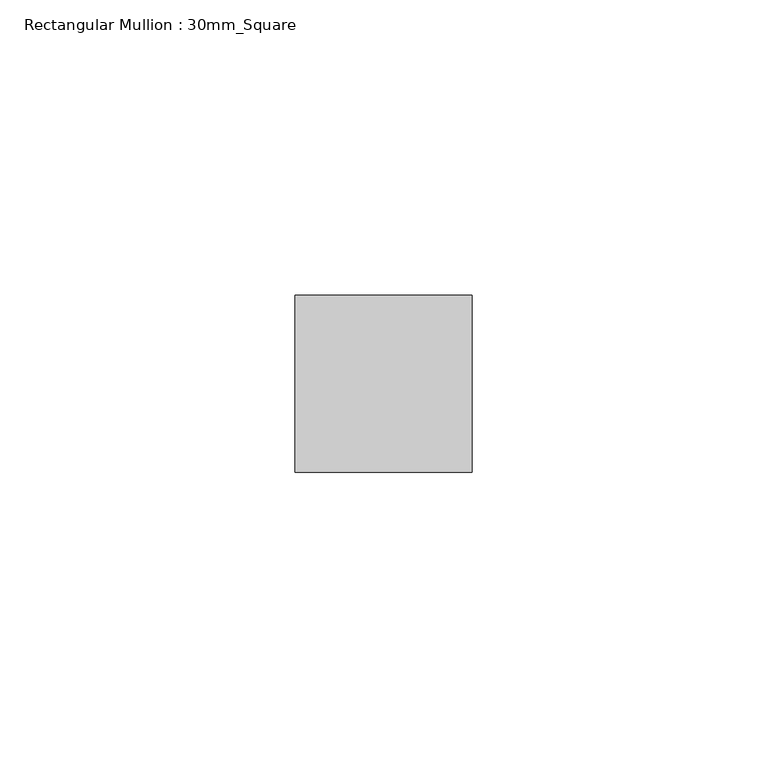
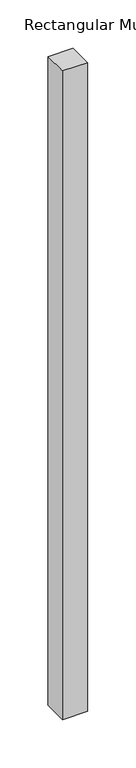
"""IFC4 building model written with IfcOpenShell, lengths in millimetres: member geometry, Rectangular Mullion : 30mm_Square."""

from ifc_helpers import new_model, si_unit, frame, origin, place, context, project, spatial, polyline, outline, extrude, source, transform, mapped, element, save


def rectangular_mullion_30mm_square_28f29ad5(model_context):
    return source(origin(), model_context, "Body", "SweptSolid", [
        extrude(outline(polyline([(0.0, 15.0), (0.0, -15.0), (-30.0, -15.0), (-30.0, 15.0), (0.0, 15.0)])), frame((0.0, 0.0, -820.0), z_axis=(0.0, 0.0, 1.0), x_axis=(1.0, 0.0, 0.0)), (0.0, 0.0, 1.0), 820.0),
    ])


if __name__ == "__main__":
    model = new_model("IFC4")
    model_context = context("Model", 3, world=origin())
    ifc_project = project(units=[si_unit("LENGTHUNIT", "METRE", prefix="MILLI")], contexts=[model_context])
    site = spatial("IfcSite", under=ifc_project)
    building = spatial("IfcBuilding", under=site)
    placement = place(None, origin())
    rectangular_mullion_30mm_square_shape = rectangular_mullion_30mm_square_28f29ad5(model_context)
    element("IfcMember", 1, ObjectType="Rectangular Mullion : 30mm_Square", at=placement, inside=building, context=model_context, shape_type="MappedRepresentation", body=[
        mapped(rectangular_mullion_30mm_square_shape, transform((0.0, 0.0, 0.0), x_axis=(1.0, 0.0, 0.0), y_axis=(0.0, 1.0, 0.0), z_axis=(0.0, 0.0, 1.0))),
    ])
    save(model, "model.ifc")
